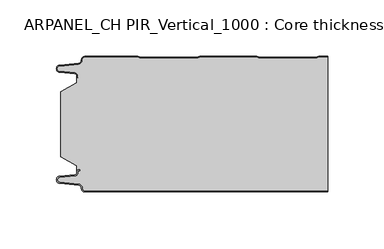
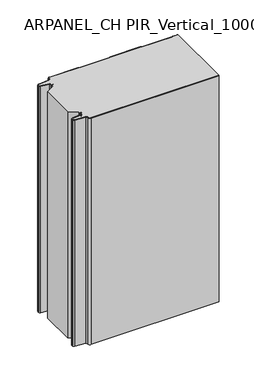
"""IFC4 building model written with IfcOpenShell, lengths in millimetres: plate geometry, ARPANEL_CH PIR_Vertical_1000 : Core thickness - 120 mm."""

from ifc_helpers import new_model, si_unit, frame, origin, place, context, project, spatial, polyline, circle_curve, source, transform, mapped, element, save
from ifc_brep_helpers import plane_surface, cylinder_surface, revolved_surface, advanced_brep


def arpanel_ch_pir_vertical_1000_core_thickness_120_mm_ad3b61e6(model_context):
    return source(origin(), model_context, "Body", "AdvancedBrep", [
        advanced_brep(
        [(-94.8000003, -119.9996949, 0.0), (-97.9923632, -116.5787437, 0.0), (-100.2560431, -113.9171154, 0.0), (-117.2115315, -112.2546153, 0.0), (-119.9999998, -109.1776715, 0.0), (-117.2115315, -106.1007278, 0.0), (-103.6195785, -104.7680252, 0.0), (-101.9952277, -102.9766159, 0.0), (-101.9952277, -101.8996949, 0.0), (-100.5952277, -100.4996949, 0.0), (-99.4952277, -100.4996949, 0.0), (-99.4952277, -101.2996949, 0.0), (-100.5952277, -101.2996949, 0.0), (-101.1952277, -101.8996949, 0.0), (-101.1952277, -102.9766159, 0.0), (-103.5415122, -105.5642071, 0.0), (-117.1334652, -106.8969097, 0.0), (-119.1999997, -109.1776715, 0.0), (-117.1334652, -111.4584333, 0.0), (-100.1779767, -113.1209335, 0.0), (-97.2078761, -116.6330399, 0.0), (-94.8000003, -119.1996949, 0.0), (119.9999998, -119.2, 0.0), (119.9999998, -119.9996949, 0.0), (-94.8000003, -119.1996949, 400.0), (-97.1942724, -116.6339815, 400.0), (-100.1779767, -113.1209335, 400.0), (-117.1334652, -111.4584333, 400.0), (-119.1999997, -109.1776715, 400.0), (-117.1334652, -106.8969097, 400.0), (-103.5415122, -105.5642071, 400.0), (-101.1952277, -102.9766159, 400.0), (-101.1952277, -101.8996949, 400.0), (-100.5952277, -101.2996949, 400.0), (-99.4952277, -101.2996949, 400.0), (-99.4952277, -100.4996949, 400.0), (-100.5952277, -100.4996949, 400.0), (-101.9952277, -101.8996949, 400.0), (-101.9952277, -102.9766159, 400.0), (-103.6195785, -104.7680252, 400.0), (-117.2115315, -106.1007278, 400.0), (-119.9999998, -109.1776715, 400.0), (-117.2115315, -112.2546153, 400.0), (-100.2560431, -113.9171154, 400.0), (-98.0059668, -116.5778021, 400.0), (-94.8000003, -119.9996949, 400.0), (119.9999998, -119.9996949, 400.0), (119.9999998, -119.2, 400.0)],
        [
            (0, 1, circle_curve(frame((-94.8000003, -116.7996949, 0.0), z_axis=(0.0, 0.0, -1.0), x_axis=(1.0, 0.0, 0.0)), 3.2)),
            (1, 2, circle_curve(frame((-100.5000003, -116.4051839, 0.0), z_axis=(0.0, 0.0, 1.0), x_axis=(1.0, 0.0, 0.0)), 2.5)),
            (2, 3),
            (3, 4, circle_curve(frame((-116.9100003, -109.1793626, 0.0), z_axis=(0.0, 0.0, -1.0), x_axis=(1.0, 0.0, 0.0)), 3.09)),
            (4, 5, circle_curve(frame((-116.9100003, -109.1759805, 0.0), z_axis=(0.0, 0.0, -1.0), x_axis=(1.0, 0.0, 0.0)), 3.09)),
            (5, 6),
            (6, 7, circle_curve(frame((-103.7952277, -102.9766159, 0.0), z_axis=(0.0, 0.0, 1.0), x_axis=(1.0, 0.0, 0.0)), 1.8)),
            (7, 8),
            (8, 9, circle_curve(frame((-100.5952277, -101.8996949, 0.0), z_axis=(0.0, 0.0, -1.0), x_axis=(1.0, 0.0, 0.0)), 1.4)),
            (9, 10),
            (10, 11),
            (11, 12),
            (12, 13, circle_curve(frame((-100.5952277, -101.8996949, 0.0), z_axis=(0.0, 0.0, 1.0), x_axis=(1.0, 0.0, 0.0)), 0.6)),
            (13, 14),
            (14, 15, circle_curve(frame((-103.7952277, -102.9766159, 0.0), z_axis=(0.0, 0.0, -1.0), x_axis=(1.0, 0.0, 0.0)), 2.6)),
            (15, 16),
            (16, 17, circle_curve(frame((-116.9100003, -109.1759805, 0.0), z_axis=(0.0, 0.0, 1.0), x_axis=(1.0, 0.0, 0.0)), 2.29)),
            (17, 18, circle_curve(frame((-116.9100003, -109.1793626, 0.0), z_axis=(0.0, 0.0, 1.0), x_axis=(1.0, 0.0, 0.0)), 2.29)),
            (18, 19),
            (19, 20, circle_curve(frame((-100.5000003, -116.4051839, 0.0), z_axis=(0.0, 0.0, -1.0), x_axis=(1.0, 0.0, 0.0)), 3.3)),
            (20, 21, circle_curve(frame((-94.8000003, -116.7996949, 0.0), z_axis=(0.0, 0.0, 1.0), x_axis=(1.0, 0.0, 0.0)), 2.4)),
            (21, 22),
            (22, 23),
            (23, 0),
            (24, 25, circle_curve(frame((-94.8000003, -116.7996949, 400.0), z_axis=(0.0, 0.0, -1.0), x_axis=(1.0, 0.0, 0.0)), 2.4)),
            (25, 26, circle_curve(frame((-100.5000003, -116.4051839, 400.0), z_axis=(0.0, 0.0, 1.0), x_axis=(1.0, 0.0, 0.0)), 3.3)),
            (26, 27),
            (27, 28, circle_curve(frame((-116.9100003, -109.1793626, 400.0), z_axis=(0.0, 0.0, -1.0), x_axis=(1.0, 0.0, 0.0)), 2.29)),
            (28, 29, circle_curve(frame((-116.9100003, -109.1759805, 400.0), z_axis=(0.0, 0.0, -1.0), x_axis=(1.0, 0.0, 0.0)), 2.29)),
            (29, 30),
            (30, 31, circle_curve(frame((-103.7952277, -102.9766159, 400.0), z_axis=(0.0, 0.0, 1.0), x_axis=(1.0, 0.0, 0.0)), 2.6)),
            (31, 32),
            (32, 33, circle_curve(frame((-100.5952277, -101.8996949, 400.0), z_axis=(0.0, 0.0, -1.0), x_axis=(1.0, 0.0, 0.0)), 0.6)),
            (33, 34),
            (34, 35),
            (35, 36),
            (36, 37, circle_curve(frame((-100.5952277, -101.8996949, 400.0), z_axis=(0.0, 0.0, 1.0), x_axis=(1.0, 0.0, 0.0)), 1.4)),
            (37, 38),
            (38, 39, circle_curve(frame((-103.7952277, -102.9766159, 400.0), z_axis=(0.0, 0.0, -1.0), x_axis=(1.0, 0.0, 0.0)), 1.8)),
            (39, 40),
            (40, 41, circle_curve(frame((-116.9100003, -109.1759805, 400.0), z_axis=(0.0, 0.0, 1.0), x_axis=(1.0, 0.0, 0.0)), 3.09)),
            (41, 42, circle_curve(frame((-116.9100003, -109.1793626, 400.0), z_axis=(0.0, 0.0, 1.0), x_axis=(1.0, 0.0, 0.0)), 3.09)),
            (42, 43),
            (43, 44, circle_curve(frame((-100.5000003, -116.4051839, 400.0), z_axis=(0.0, 0.0, -1.0), x_axis=(1.0, 0.0, 0.0)), 2.5)),
            (44, 45, circle_curve(frame((-94.8000003, -116.7996949, 400.0), z_axis=(0.0, 0.0, 1.0), x_axis=(1.0, 0.0, 0.0)), 3.2)),
            (45, 46),
            (46, 47),
            (47, 24),
            (21, 24),
            (47, 22),
            (20, 25),
            (19, 26),
            (18, 27),
            (17, 28),
            (16, 29),
            (15, 30),
            (14, 31),
            (13, 32),
            (12, 33),
            (11, 34),
            (10, 35),
            (9, 36),
            (8, 37),
            (7, 38),
            (6, 39),
            (5, 40),
            (4, 41),
            (3, 42),
            (2, 43),
            (1, 44),
            (0, 45),
            (23, 46),
        ],
        [
            plane_surface(frame((-119.9999998, -120.0, 0.0), z_axis=(0.0, 0.0, -1.0), x_axis=(0.0, 1.0, 0.0))),
            plane_surface(frame((-119.9999998, -120.0, 400.0), z_axis=(0.0, 0.0, 1.0), x_axis=(0.0, 1.0, 0.0))),
            plane_surface(frame((-94.8000003, -119.2, 0.0), z_axis=(0.0, 1.0, 0.0), x_axis=(0.0, 0.0, 1.0))),
            revolved_surface(polyline([(-92.40000029999999, -116.7996949, 400.0), (-92.40000029999999, -116.7996949, 0.0)]), (-94.8000003, -116.7996949, 0.0), (0.0, 0.0, 1.0)),
            cylinder_surface(frame((-100.5000003, -116.4051839, 0.0), z_axis=(0.0, 0.0, -1.0), x_axis=(1.0, 0.0, 0.0)), 3.3),
            plane_surface(frame((-117.1334652, -111.4584333, 0.0), z_axis=(0.09758289975914758, 0.9952273999818314, 0.0), x_axis=(0.0, 0.0, 1.0))),
            revolved_surface(polyline([(-114.62000029999999, -109.1793626, 400.0), (-114.62000029999999, -109.1793626, 0.0)]), (-116.9100003, -109.1793626, 0.0), (0.0, 0.0, 1.0)),
            revolved_surface(polyline([(-114.62000029999999, -109.1759805, 400.0), (-114.62000029999999, -109.1759805, 0.0)]), (-116.9100003, -109.1759805, 0.0), (0.0, 0.0, 1.0)),
            plane_surface(frame((-103.5415122, -105.5642071, 0.0), z_axis=(0.09758289975914383, -0.9952273999818317, 0.0), x_axis=(0.0, 0.0, 1.0))),
            cylinder_surface(frame((-103.7952277, -102.9766159, 0.0), z_axis=(0.0, 0.0, -1.0), x_axis=(1.0, 0.0, 0.0)), 2.6),
            plane_surface(frame((-101.1952277, -101.8996949, 0.0), z_axis=(1.0, 0.0, 0.0), x_axis=(0.0, 0.0, 1.0))),
            revolved_surface(polyline([(-99.9952277, -101.8996949, 400.0), (-99.9952277, -101.8996949, 0.0)]), (-100.5952277, -101.8996949, 0.0), (0.0, 0.0, 1.0)),
            plane_surface(frame((-99.4952277, -101.2996949, 0.0), z_axis=(0.0, -1.0, 0.0), x_axis=(0.0, 0.0, 1.0))),
            plane_surface(frame((-99.4952277, -100.4996949, 0.0), z_axis=(1.0, 0.0, 0.0), x_axis=(0.0, 0.0, 1.0))),
            plane_surface(frame((-100.5952277, -100.4996949, 0.0), z_axis=(0.0, 1.0, 0.0), x_axis=(0.0, 0.0, 1.0))),
            cylinder_surface(frame((-100.5952277, -101.8996949, 0.0), z_axis=(0.0, 0.0, -1.0), x_axis=(1.0, 0.0, 0.0)), 1.4),
            plane_surface(frame((-101.9952277, -102.9766159, 0.0), z_axis=(-1.0, 0.0, 0.0), x_axis=(0.0, 0.0, 1.0))),
            revolved_surface(polyline([(-101.9952277, -102.9766159, 400.0), (-101.9952277, -102.9766159, 0.0)]), (-103.7952277, -102.9766159, 0.0), (0.0, 0.0, 1.0)),
            plane_surface(frame((-117.2115315, -106.1007278, 0.0), z_axis=(-0.09758289975914387, 0.9952273999818317, 0.0), x_axis=(0.0, 0.0, 1.0))),
            cylinder_surface(frame((-116.9100003, -109.1759805, 0.0), z_axis=(0.0, 0.0, -1.0), x_axis=(1.0, 0.0, 0.0)), 3.09),
            cylinder_surface(frame((-116.9100003, -109.1793626, 0.0), z_axis=(0.0, 0.0, -1.0), x_axis=(1.0, 0.0, 0.0)), 3.09),
            plane_surface(frame((-100.2560431, -113.9171154, 0.0), z_axis=(-0.09758289975914762, -0.9952273999818314, 0.0), x_axis=(0.0, 0.0, 1.0))),
            revolved_surface(polyline([(-98.0000003, -116.4051839, 400.0), (-98.0000003, -116.4051839, 0.0)]), (-100.5000003, -116.4051839, 0.0), (0.0, 0.0, 1.0)),
            cylinder_surface(frame((-94.8000003, -116.7996949, 0.0), z_axis=(0.0, 0.0, -1.0), x_axis=(1.0, 0.0, 0.0)), 3.2),
            plane_surface(frame((896.009932, -119.9996949, 0.0), z_axis=(0.0, -1.0, 0.0), x_axis=(0.0, 0.0, 1.0))),
            plane_surface(frame((119.9999998, 180.0, 400.0), z_axis=(1.0, 0.0, 0.0), x_axis=(0.0, 0.0, -1.0))),
        ],
        [
            (0, [[1, 2, 3, 4, 5, 6, 7, 8, 9, 10, 11, 12, 13, 14, 15, 16, 17, 18, 19, 20, 21, 22, 23, 24]]),
            (1, [[25, 26, 27, 28, 29, 30, 31, 32, 33, 34, 35, 36, 37, 38, 39, 40, 41, 42, 43, 44, 45, 46, 47, 48]]),
            (2, [[49, -48, 50, -22]]),
            (3, [[-21, 51, -25, -49]]),
            (4, [[-20, 52, -26, -51]]),
            (5, [[-19, 53, -27, -52]]),
            (6, [[-18, 54, -28, -53]]),
            (7, [[-17, 55, -29, -54]]),
            (8, [[-16, 56, -30, -55]]),
            (9, [[-15, 57, -31, -56]]),
            (10, [[-14, 58, -32, -57]]),
            (11, [[-13, 59, -33, -58]]),
            (12, [[-12, 60, -34, -59]]),
            (13, [[-11, 61, -35, -60]]),
            (14, [[-10, 62, -36, -61]]),
            (15, [[-9, 63, -37, -62]]),
            (16, [[-8, 64, -38, -63]]),
            (17, [[-7, 65, -39, -64]]),
            (18, [[-6, 66, -40, -65]]),
            (19, [[-5, 67, -41, -66]]),
            (20, [[-4, 68, -42, -67]]),
            (21, [[-3, 69, -43, -68]]),
            (22, [[-2, 70, -44, -69]]),
            (23, [[-1, 71, -45, -70]]),
            (24, [[-71, -24, 72, -46]]),
            (25, [[-23, -50, -47, -72]]),
        ],
    ),
        advanced_brep(
        [(-101.9952277, -23.1062917, 400.0), (-116.0446509, -31.1628062, 400.0), (-116.0446509, -88.7531937, 400.0), (-101.9952277, -96.8937083, 400.0), (-101.9952277, -100.4996949, 400.0), (-101.9952277, -101.8996949, 400.0), (-100.5952277, -100.4996949, 400.0), (-99.4952277, -100.4996949, 400.0), (-99.4952277, -101.2996949, 400.0), (-100.5952277, -101.2996949, 400.0), (-101.1952277, -101.8996949, 400.0), (-101.1952277, -102.9766159, 400.0), (-103.5415122, -105.5642071, 400.0), (-117.1334652, -106.8969097, 400.0), (-119.1999997, -109.1776715, 400.0), (-117.1334652, -111.4584333, 400.0), (-100.1779767, -113.1209335, 400.0), (-97.2078761, -116.6330399, 400.0), (-94.8000003, -119.1996949, 400.0), (119.9999998, -119.2, 400.0), (119.9999998, -0.8, 400.0), (112.3119565, -0.8, 400.0), (111.2605406, -1.0986697, 400.0), (109.8401597, -1.5003051, 400.0), (59.6803765, -1.5003051, 400.0), (58.2609651, -1.0971009, 400.0), (57.2085797, -0.8, 400.0), (7.0487965, -0.8, 400.0), (5.9973806, -1.0986697, 400.0), (4.5769997, -1.5003051, 400.0), (-45.5827835, -1.5003051, 400.0), (-47.0021949, -1.0971009, 400.0), (-48.0545803, -0.8, 400.0), (-94.8000003, -0.8, 400.0), (-97.1942724, -3.3660185, 400.0), (-100.1779767, -6.8790665, 400.0), (-117.1334652, -8.5415667, 400.0), (-119.1999997, -10.8223285, 400.0), (-117.1334652, -13.1030903, 400.0), (-103.5415122, -14.4357929, 400.0), (-101.1952277, -17.0233841, 400.0), (-101.1952277, -18.1003051, 400.0), (-100.5952277, -18.7003051, 400.0), (-99.4952277, -18.7003051, 400.0), (-99.4952277, -19.5003051, 400.0), (-100.5952277, -19.5003051, 400.0), (-101.9952277, -18.1003051, 400.0), (-101.9952277, -19.5003051, 400.0), (-101.9952277, -96.8937083, 0.0), (-116.0446509, -88.7531937, 0.0), (-116.0446509, -31.1628062, 0.0), (-101.9952277, -23.1062917, 0.0), (-101.9952277, -19.5003051, 0.0), (-101.9952277, -18.1003051, 0.0), (-100.5952277, -19.5003051, 0.0), (-99.4952277, -19.5003051, 0.0), (-99.4952277, -18.7003051, 0.0), (-100.5952277, -18.7003051, 0.0), (-101.1952277, -18.1003051, 0.0), (-101.1952277, -17.0233841, 0.0), (-103.5415122, -14.4357929, 0.0), (-117.1334652, -13.1030903, 0.0), (-119.1999997, -10.8223285, 0.0), (-117.1334652, -8.5415667, 0.0), (-100.1779767, -6.8790665, 0.0), (-97.2078761, -3.3669601, 0.0), (-94.8000003, -0.8003051, 0.0), (-48.0545803, -0.8, 0.0), (-47.0031645, -1.0986697, 0.0), (-45.5827835, -1.5003051, 0.0), (4.5769997, -1.5003051, 0.0), (5.9964111, -1.0971009, 0.0), (7.0487965, -0.8, 0.0), (57.2085797, -0.8, 0.0), (58.2599955, -1.0986697, 0.0), (59.6803765, -1.5003051, 0.0), (109.8401597, -1.5003051, 0.0), (111.2595711, -1.0971009, 0.0), (112.3119565, -0.8, 0.0), (119.9999998, -0.8, 0.0), (119.9999998, -119.2, 0.0), (-94.8000003, -119.2, 0.0), (-97.1942724, -116.6339815, 0.0), (-100.1779767, -113.1209335, 0.0), (-117.1334652, -111.4584333, 0.0), (-119.1999997, -109.1776715, 0.0), (-117.1334652, -106.8969097, 0.0), (-103.5415122, -105.5642071, 0.0), (-101.1952277, -102.9766159, 0.0), (-101.1952277, -101.8996949, 0.0), (-100.5952277, -101.2996949, 0.0), (-99.4952277, -101.2996949, 0.0), (-99.4952277, -100.4996949, 0.0), (-100.5952277, -100.4996949, 0.0), (-101.9952277, -101.8996949, 0.0), (-101.9952277, -100.4996949, 0.0)],
        [
            (0, 1),
            (1, 2),
            (2, 3),
            (3, 4),
            (4, 5),
            (5, 6, circle_curve(frame((-100.5952277, -101.8996949, 400.0), z_axis=(0.0, 0.0, -1.0), x_axis=(1.0, 0.0, 0.0)), 1.4)),
            (6, 7),
            (7, 8),
            (8, 9),
            (9, 10, circle_curve(frame((-100.5952277, -101.8996949, 400.0), z_axis=(0.0, 0.0, 1.0), x_axis=(1.0, 0.0, 0.0)), 0.6)),
            (10, 11),
            (11, 12, circle_curve(frame((-103.7952277, -102.9766159, 400.0), z_axis=(0.0, 0.0, -1.0), x_axis=(1.0, 0.0, 0.0)), 2.6)),
            (12, 13),
            (13, 14, circle_curve(frame((-116.9100003, -109.1759805, 400.0), z_axis=(0.0, 0.0, 1.0), x_axis=(1.0, 0.0, 0.0)), 2.29)),
            (14, 15, circle_curve(frame((-116.9100003, -109.1793626, 400.0), z_axis=(0.0, 0.0, 1.0), x_axis=(1.0, 0.0, 0.0)), 2.29)),
            (15, 16),
            (16, 17, circle_curve(frame((-100.5000003, -116.4051839, 400.0), z_axis=(0.0, 0.0, -1.0), x_axis=(1.0, 0.0, 0.0)), 3.3)),
            (17, 18, circle_curve(frame((-94.8000003, -116.7996949, 400.0), z_axis=(0.0, 0.0, 1.0), x_axis=(1.0, 0.0, 0.0)), 2.4)),
            (18, 19),
            (19, 20),
            (20, 21),
            (21, 22, circle_curve(frame((112.3119565, -2.8, 400.0), z_axis=(0.0, 0.0, 1.0), x_axis=(1.0, 0.0, 0.0)), 2.0)),
            (22, 23, circle_curve(frame((109.8401597, 1.1996949, 400.0), z_axis=(0.0, 0.0, -1.0), x_axis=(1.0, 0.0, 0.0)), 2.7)),
            (23, 24),
            (24, 25, circle_curve(frame((59.6803765, 1.1996949, 400.0), z_axis=(0.0, 0.0, -1.0), x_axis=(1.0, 0.0, 0.0)), 2.7)),
            (25, 26, circle_curve(frame((57.2085797, -2.8, 400.0), z_axis=(0.0, 0.0, 1.0), x_axis=(1.0, 0.0, 0.0)), 2.0)),
            (26, 27),
            (27, 28, circle_curve(frame((7.0487965, -2.8, 400.0), z_axis=(0.0, 0.0, 1.0), x_axis=(1.0, 0.0, 0.0)), 2.0)),
            (28, 29, circle_curve(frame((4.5769997, 1.1996949, 400.0), z_axis=(0.0, 0.0, -1.0), x_axis=(1.0, 0.0, 0.0)), 2.7)),
            (29, 30),
            (30, 31, circle_curve(frame((-45.5827835, 1.1996949, 400.0), z_axis=(0.0, 0.0, -1.0), x_axis=(1.0, 0.0, 0.0)), 2.7)),
            (31, 32, circle_curve(frame((-48.0545803, -2.8, 400.0), z_axis=(0.0, 0.0, 1.0), x_axis=(1.0, 0.0, 0.0)), 2.0)),
            (32, 33),
            (33, 34, circle_curve(frame((-94.8000003, -3.2003051, 400.0), z_axis=(0.0, 0.0, 1.0), x_axis=(1.0, 0.0, 0.0)), 2.4)),
            (34, 35, circle_curve(frame((-100.5000003, -3.5948161, 400.0), z_axis=(0.0, 0.0, -1.0), x_axis=(1.0, 0.0, 0.0)), 3.3)),
            (35, 36),
            (36, 37, circle_curve(frame((-116.9100003, -10.8206374, 400.0), z_axis=(0.0, 0.0, 1.0), x_axis=(1.0, 0.0, 0.0)), 2.29)),
            (37, 38, circle_curve(frame((-116.9100003, -10.8240195, 400.0), z_axis=(0.0, 0.0, 1.0), x_axis=(1.0, 0.0, 0.0)), 2.29)),
            (38, 39),
            (39, 40, circle_curve(frame((-103.7952277, -17.0233841, 400.0), z_axis=(0.0, 0.0, -1.0), x_axis=(1.0, 0.0, 0.0)), 2.6)),
            (40, 41),
            (41, 42, circle_curve(frame((-100.5952277, -18.1003051, 400.0), z_axis=(0.0, 0.0, 1.0), x_axis=(1.0, 0.0, 0.0)), 0.6)),
            (42, 43),
            (43, 44),
            (44, 45),
            (45, 46, circle_curve(frame((-100.5952277, -18.1003051, 400.0), z_axis=(0.0, 0.0, -1.0), x_axis=(1.0, 0.0, 0.0)), 1.4)),
            (46, 47),
            (47, 0),
            (48, 49),
            (49, 50),
            (50, 51),
            (51, 52),
            (52, 53),
            (53, 54, circle_curve(frame((-100.5952277, -18.1003051, 0.0), z_axis=(0.0, 0.0, 1.0), x_axis=(1.0, 0.0, 0.0)), 1.4)),
            (54, 55),
            (55, 56),
            (56, 57),
            (57, 58, circle_curve(frame((-100.5952277, -18.1003051, 0.0), z_axis=(0.0, 0.0, -1.0), x_axis=(1.0, 0.0, 0.0)), 0.6)),
            (58, 59),
            (59, 60, circle_curve(frame((-103.7952277, -17.0233841, 0.0), z_axis=(0.0, 0.0, 1.0), x_axis=(1.0, 0.0, 0.0)), 2.6)),
            (60, 61),
            (61, 62, circle_curve(frame((-116.9100003, -10.8240195, 0.0), z_axis=(0.0, 0.0, -1.0), x_axis=(1.0, 0.0, 0.0)), 2.29)),
            (62, 63, circle_curve(frame((-116.9100003, -10.8206374, 0.0), z_axis=(0.0, 0.0, -1.0), x_axis=(1.0, 0.0, 0.0)), 2.29)),
            (63, 64),
            (64, 65, circle_curve(frame((-100.5000003, -3.5948161, 0.0), z_axis=(0.0, 0.0, 1.0), x_axis=(1.0, 0.0, 0.0)), 3.3)),
            (65, 66, circle_curve(frame((-94.8000003, -3.2003051, 0.0), z_axis=(0.0, 0.0, -1.0), x_axis=(1.0, 0.0, 0.0)), 2.4)),
            (66, 67),
            (67, 68, circle_curve(frame((-48.0545803, -2.8, 0.0), z_axis=(0.0, 0.0, -1.0), x_axis=(1.0, 0.0, 0.0)), 2.0)),
            (68, 69, circle_curve(frame((-45.5827835, 1.1996949, 0.0), z_axis=(0.0, 0.0, 1.0), x_axis=(1.0, 0.0, 0.0)), 2.7)),
            (69, 70),
            (70, 71, circle_curve(frame((4.5769997, 1.1996949, 0.0), z_axis=(0.0, 0.0, 1.0), x_axis=(1.0, 0.0, 0.0)), 2.7)),
            (71, 72, circle_curve(frame((7.0487965, -2.8, 0.0), z_axis=(0.0, 0.0, -1.0), x_axis=(1.0, 0.0, 0.0)), 2.0)),
            (72, 73),
            (73, 74, circle_curve(frame((57.2085797, -2.8, 0.0), z_axis=(0.0, 0.0, -1.0), x_axis=(1.0, 0.0, 0.0)), 2.0)),
            (74, 75, circle_curve(frame((59.6803765, 1.1996949, 0.0), z_axis=(0.0, 0.0, 1.0), x_axis=(1.0, 0.0, 0.0)), 2.7)),
            (75, 76),
            (76, 77, circle_curve(frame((109.8401597, 1.1996949, 0.0), z_axis=(0.0, 0.0, 1.0), x_axis=(1.0, 0.0, 0.0)), 2.7)),
            (77, 78, circle_curve(frame((112.3119565, -2.8, 0.0), z_axis=(0.0, 0.0, -1.0), x_axis=(1.0, 0.0, 0.0)), 2.0)),
            (78, 79),
            (79, 80),
            (80, 81),
            (81, 82, circle_curve(frame((-94.8000003, -116.7996949, 0.0), z_axis=(0.0, 0.0, -1.0), x_axis=(1.0, 0.0, 0.0)), 2.4)),
            (82, 83, circle_curve(frame((-100.5000003, -116.4051839, 0.0), z_axis=(0.0, 0.0, 1.0), x_axis=(1.0, 0.0, 0.0)), 3.3)),
            (83, 84),
            (84, 85, circle_curve(frame((-116.9100003, -109.1793626, 0.0), z_axis=(0.0, 0.0, -1.0), x_axis=(1.0, 0.0, 0.0)), 2.29)),
            (85, 86, circle_curve(frame((-116.9100003, -109.1759805, 0.0), z_axis=(0.0, 0.0, -1.0), x_axis=(1.0, 0.0, 0.0)), 2.29)),
            (86, 87),
            (87, 88, circle_curve(frame((-103.7952277, -102.9766159, 0.0), z_axis=(0.0, 0.0, 1.0), x_axis=(1.0, 0.0, 0.0)), 2.6)),
            (88, 89),
            (89, 90, circle_curve(frame((-100.5952277, -101.8996949, 0.0), z_axis=(0.0, 0.0, -1.0), x_axis=(1.0, 0.0, 0.0)), 0.6)),
            (90, 91),
            (91, 92),
            (92, 93),
            (93, 94, circle_curve(frame((-100.5952277, -101.8996949, 0.0), z_axis=(0.0, 0.0, 1.0), x_axis=(1.0, 0.0, 0.0)), 1.4)),
            (94, 95),
            (95, 48),
            (51, 0),
            (46, 53),
            (1, 50),
            (49, 2),
            (48, 3),
            (94, 5),
            (18, 81),
            (80, 19),
            (17, 82),
            (16, 83),
            (15, 84),
            (14, 85),
            (13, 86),
            (12, 87),
            (11, 88),
            (10, 89),
            (9, 90),
            (8, 91),
            (7, 92),
            (6, 93),
            (66, 33),
            (32, 67),
            (31, 68),
            (30, 69),
            (29, 70),
            (28, 71),
            (27, 72),
            (26, 73),
            (25, 74),
            (24, 75),
            (23, 76),
            (22, 77),
            (21, 78),
            (20, 79),
            (45, 54),
            (44, 55),
            (43, 56),
            (42, 57),
            (41, 58),
            (40, 59),
            (39, 60),
            (38, 61),
            (37, 62),
            (36, 63),
            (35, 64),
            (34, 65),
        ],
        [
            plane_surface(frame((-119.9999998, 0.0, 400.0), z_axis=(0.0, 0.0, 1.0), x_axis=(0.0, -1.0, 0.0))),
            plane_surface(frame((-119.9999998, 0.0, 0.0), z_axis=(0.0, 0.0, -1.0), x_axis=(0.0, -1.0, 0.0))),
            plane_surface(frame((-101.9952277, -17.0229218, 400.0), z_axis=(-1.0, 0.0, 0.0), x_axis=(0.0, 0.0, -1.0))),
            plane_surface(frame((-116.0446509, -31.1628062, 400.0), z_axis=(-1.0, 0.0, 0.0), x_axis=(0.0, 0.0, -1.0))),
            plane_surface(frame((-101.9952277, -23.1062917, 400.0), z_axis=(-0.4974543664933155, 0.8674901459133322, 0.0), x_axis=(0.0, 0.0, -1.0))),
            plane_surface(frame((-116.0446509, -88.7531937, 400.0), z_axis=(-0.5013424225369607, -0.8652489672717164, 0.0), x_axis=(0.0, 0.0, -1.0))),
            plane_surface(frame((-101.9952277, -96.8937083, 400.0), z_axis=(-1.0, 0.0, 0.0), x_axis=(0.0, 0.0, -1.0))),
            plane_surface(frame((896.009932, -119.2, 530.0), z_axis=(0.0, -1.0, 0.0), x_axis=(0.0, 0.0, -1.0))),
            cylinder_surface(frame((-94.8000003, -116.7996949, 530.0), z_axis=(0.0, 0.0, -1.0), x_axis=(1.0, 0.0, 0.0)), 2.4),
            revolved_surface(polyline([(-97.2000003, -116.4051839, 400.0), (-97.2000003, -116.4051839, 0.0)]), (-100.5000003, -116.4051839, 530.0), (0.0, 0.0, 1.0)),
            plane_surface(frame((-100.1779767, -113.1209335, 530.0), z_axis=(-0.09758289975914758, -0.9952273999818314, 0.0), x_axis=(0.0, 0.0, -1.0))),
            cylinder_surface(frame((-116.9100003, -109.1793626, 530.0), z_axis=(0.0, 0.0, -1.0), x_axis=(1.0, 0.0, 0.0)), 2.29),
            cylinder_surface(frame((-116.9100003, -109.1759805, 530.0), z_axis=(0.0, 0.0, -1.0), x_axis=(1.0, 0.0, 0.0)), 2.29),
            plane_surface(frame((-117.1334652, -106.8969097, 530.0), z_axis=(-0.09758289975914383, 0.9952273999818317, 0.0), x_axis=(0.0, 0.0, -1.0))),
            revolved_surface(polyline([(-101.1952277, -102.9766159, 400.0), (-101.1952277, -102.9766159, 0.0)]), (-103.7952277, -102.9766159, 530.0), (0.0, 0.0, 1.0)),
            plane_surface(frame((-101.1952277, -102.9766159, 530.0), z_axis=(-1.0, 0.0, 0.0), x_axis=(0.0, 0.0, -1.0))),
            cylinder_surface(frame((-100.5952277, -101.8996949, 530.0), z_axis=(0.0, 0.0, -1.0), x_axis=(1.0, 0.0, 0.0)), 0.6),
            plane_surface(frame((-100.5952277, -101.2996949, 530.0), z_axis=(0.0, 1.0, 0.0), x_axis=(0.0, 0.0, -1.0))),
            plane_surface(frame((-99.4952277, -101.2996949, 530.0), z_axis=(-1.0, 0.0, 0.0), x_axis=(0.0, 0.0, -1.0))),
            plane_surface(frame((-99.4952277, -100.4996949, 530.0), z_axis=(0.0, -1.0, 0.0), x_axis=(0.0, 0.0, -1.0))),
            revolved_surface(polyline([(-99.19522769999999, -101.8996949, 400.0), (-99.19522769999999, -101.8996949, 0.0)]), (-100.5952277, -101.8996949, 530.0), (0.0, 0.0, 1.0)),
            plane_surface(frame((-94.8000003, -0.8, 530.0), z_axis=(0.0, 1.0, 0.0), x_axis=(0.0, 0.0, -1.0))),
            cylinder_surface(frame((-48.0545803, -2.8, 530.0), z_axis=(0.0, 0.0, -1.0), x_axis=(1.0, 0.0, 0.0)), 2.0),
            revolved_surface(polyline([(-42.882783499999995, 1.1996949, 400.0), (-42.882783499999995, 1.1996949, 0.0)]), (-45.5827835, 1.1996949, 530.0), (0.0, 0.0, 1.0)),
            plane_surface(frame((-45.5827835, -1.5003051, 530.0), z_axis=(0.0, 1.0, 0.0), x_axis=(0.0, 0.0, -1.0))),
            revolved_surface(polyline([(7.2769997, 1.1996949, 400.0), (7.2769997, 1.1996949, 0.0)]), (4.5769997, 1.1996949, 530.0), (0.0, 0.0, 1.0)),
            cylinder_surface(frame((7.0487965, -2.8, 530.0), z_axis=(0.0, 0.0, -1.0), x_axis=(1.0, 0.0, 0.0)), 2.0),
            plane_surface(frame((7.0487965, -0.8, 530.0), z_axis=(0.0, 1.0, 0.0), x_axis=(0.0, 0.0, -1.0))),
            cylinder_surface(frame((57.2085797, -2.8, 530.0), z_axis=(0.0, 0.0, -1.0), x_axis=(1.0, 0.0, 0.0)), 2.0),
            revolved_surface(polyline([(62.380376500000004, 1.1996949, 400.0), (62.380376500000004, 1.1996949, 0.0)]), (59.6803765, 1.1996949, 530.0), (0.0, 0.0, 1.0)),
            plane_surface(frame((59.6803765, -1.5003051, 530.0), z_axis=(0.0, 1.0, 0.0), x_axis=(0.0, 0.0, -1.0))),
            revolved_surface(polyline([(112.5401597, 1.1996949, 400.0), (112.5401597, 1.1996949, 0.0)]), (109.8401597, 1.1996949, 530.0), (0.0, 0.0, 1.0)),
            cylinder_surface(frame((112.3119565, -2.8, 530.0), z_axis=(0.0, 0.0, -1.0), x_axis=(1.0, 0.0, 0.0)), 2.0),
            plane_surface(frame((112.3119565, -0.8, 530.0), z_axis=(0.0, 1.0, 0.0), x_axis=(0.0, 0.0, -1.0))),
            revolved_surface(polyline([(-99.19522769999999, -18.1003051, 400.0), (-99.19522769999999, -18.1003051, 0.0)]), (-100.5952277, -18.1003051, 530.0), (0.0, 0.0, 1.0)),
            plane_surface(frame((-100.5952277, -19.5003051, 530.0), z_axis=(0.0, 1.0, 0.0), x_axis=(0.0, 0.0, -1.0))),
            plane_surface(frame((-99.4952277, -19.5003051, 530.0), z_axis=(-1.0, 0.0, 0.0), x_axis=(0.0, 0.0, -1.0))),
            plane_surface(frame((-99.4952277, -18.7003051, 530.0), z_axis=(0.0, -1.0, 0.0), x_axis=(0.0, 0.0, -1.0))),
            cylinder_surface(frame((-100.5952277, -18.1003051, 530.0), z_axis=(0.0, 0.0, -1.0), x_axis=(1.0, 0.0, 0.0)), 0.6),
            plane_surface(frame((-101.1952277, -18.1003051, 530.0), z_axis=(-1.0, 0.0, 0.0), x_axis=(0.0, 0.0, -1.0))),
            revolved_surface(polyline([(-101.1952277, -17.0233841, 400.0), (-101.1952277, -17.0233841, 0.0)]), (-103.7952277, -17.0233841, 530.0), (0.0, 0.0, 1.0)),
            plane_surface(frame((-103.5415122, -14.4357929, 530.0), z_axis=(-0.09758289975914705, -0.9952273999818314, 0.0), x_axis=(0.0, 0.0, -1.0))),
            cylinder_surface(frame((-116.9100003, -10.8240195, 530.0), z_axis=(0.0, 0.0, -1.0), x_axis=(1.0, 0.0, 0.0)), 2.29),
            cylinder_surface(frame((-116.9100003, -10.8206374, 530.0), z_axis=(0.0, 0.0, -1.0), x_axis=(1.0, 0.0, 0.0)), 2.29),
            plane_surface(frame((-117.1334652, -8.5415667, 530.0), z_axis=(-0.09758289975914436, 0.9952273999818317, 0.0), x_axis=(0.0, 0.0, -1.0))),
            revolved_surface(polyline([(-97.2000003, -3.5948161, 400.0), (-97.2000003, -3.5948161, 0.0)]), (-100.5000003, -3.5948161, 530.0), (0.0, 0.0, 1.0)),
            cylinder_surface(frame((-94.8000003, -3.2003051, 530.0), z_axis=(0.0, 0.0, -1.0), x_axis=(1.0, 0.0, 0.0)), 2.4),
            plane_surface(frame((119.9999998, 180.0, 400.0), z_axis=(1.0, 0.0, 0.0), x_axis=(0.0, 0.0, -1.0))),
        ],
        [
            (0, [[1, 2, 3, 4, 5, 6, 7, 8, 9, 10, 11, 12, 13, 14, 15, 16, 17, 18, 19, 20, 21, 22, 23, 24, 25, 26, 27, 28, 29, 30, 31, 32, 33, 34, 35, 36, 37, 38, 39, 40, 41, 42, 43, 44, 45, 46, 47, 48]]),
            (1, [[49, 50, 51, 52, 53, 54, 55, 56, 57, 58, 59, 60, 61, 62, 63, 64, 65, 66, 67, 68, 69, 70, 71, 72, 73, 74, 75, 76, 77, 78, 79, 80, 81, 82, 83, 84, 85, 86, 87, 88, 89, 90, 91, 92, 93, 94, 95, 96]]),
            (2, [[97, -48, -47, 98, -53, -52]]),
            (3, [[-2, 99, -50, 100]]),
            (4, [[-1, -97, -51, -99]]),
            (5, [[-3, -100, -49, 101]]),
            (6, [[-101, -96, -95, 102, -5, -4]]),
            (7, [[103, -81, 104, -19]]),
            (8, [[-103, -18, 105, -82]]),
            (9, [[-105, -17, 106, -83]]),
            (10, [[-106, -16, 107, -84]]),
            (11, [[-107, -15, 108, -85]]),
            (12, [[-108, -14, 109, -86]]),
            (13, [[-109, -13, 110, -87]]),
            (14, [[-110, -12, 111, -88]]),
            (15, [[-111, -11, 112, -89]]),
            (16, [[-112, -10, 113, -90]]),
            (17, [[-113, -9, 114, -91]]),
            (18, [[-114, -8, 115, -92]]),
            (19, [[-115, -7, 116, -93]]),
            (20, [[-116, -6, -102, -94]]),
            (21, [[117, -33, 118, -67]]),
            (22, [[-118, -32, 119, -68]]),
            (23, [[-119, -31, 120, -69]]),
            (24, [[-120, -30, 121, -70]]),
            (25, [[-121, -29, 122, -71]]),
            (26, [[-122, -28, 123, -72]]),
            (27, [[-123, -27, 124, -73]]),
            (28, [[-124, -26, 125, -74]]),
            (29, [[-125, -25, 126, -75]]),
            (30, [[-126, -24, 127, -76]]),
            (31, [[-127, -23, 128, -77]]),
            (32, [[-128, -22, 129, -78]]),
            (33, [[-129, -21, 130, -79]]),
            (34, [[131, -54, -98, -46]]),
            (35, [[-131, -45, 132, -55]]),
            (36, [[-132, -44, 133, -56]]),
            (37, [[-133, -43, 134, -57]]),
            (38, [[-134, -42, 135, -58]]),
            (39, [[-135, -41, 136, -59]]),
            (40, [[-136, -40, 137, -60]]),
            (41, [[-137, -39, 138, -61]]),
            (42, [[-138, -38, 139, -62]]),
            (43, [[-139, -37, 140, -63]]),
            (44, [[-140, -36, 141, -64]]),
            (45, [[-141, -35, 142, -65]]),
            (46, [[-117, -66, -142, -34]]),
            (47, [[-104, -80, -130, -20]]),
        ],
    ),
        advanced_brep(
        [(-47.0031645, -1.0986697, 0.0), (-48.0545803, -0.8, 0.0), (-94.8000003, -0.8, 0.0), (-97.1942724, -3.3660185, 0.0), (-100.1779767, -6.8790665, 0.0), (-117.1334652, -8.5415667, 0.0), (-119.1999997, -10.8223285, 0.0), (-117.1334652, -13.1030903, 0.0), (-103.5415122, -14.4357929, 0.0), (-101.1952277, -17.0233841, 0.0), (-101.1952277, -18.1003051, 0.0), (-100.5952277, -18.7003051, 0.0), (-99.4952277, -18.7003051, 0.0), (-99.4952277, -19.5003051, 0.0), (-100.5952277, -19.5003051, 0.0), (-101.9952277, -18.1003051, 0.0), (-101.9952277, -17.0233841, 0.0), (-103.6195785, -15.2319748, 0.0), (-117.2115315, -13.8992722, 0.0), (-119.9999998, -10.8223285, 0.0), (-117.2115315, -7.7453847, 0.0), (-100.2560431, -6.0828846, 0.0), (-98.0059668, -3.4221979, 0.0), (-94.8000003, -0.0003051, 0.0), (-48.0545803, -0.0003051, 0.0), (-46.6352472, -0.4034608, 0.0), (-45.5827835, -0.7003051, 0.0), (4.5769997, -0.7003051, 0.0), (5.6283575, -0.4016712, 0.0), (7.0487965, -0.0003051, 0.0), (57.2085797, -0.0003051, 0.0), (58.6279128, -0.4034608, 0.0), (59.6803765, -0.7003051, 0.0), (109.8401597, -0.7003051, 0.0), (110.8915175, -0.4016712, 0.0), (112.3119565, -0.0003051, 0.0), (119.9999998, -0.0003051, 0.0), (119.9999998, -0.8, 0.0), (112.3119565, -0.8, 0.0), (111.2605406, -1.0986697, 0.0), (109.8401597, -1.5003051, 0.0), (59.6803765, -1.5003051, 0.0), (58.2609651, -1.0971009, 0.0), (57.2085797, -0.8, 0.0), (7.0487965, -0.8, 0.0), (5.9973806, -1.0986697, 0.0), (4.5769997, -1.5003051, 0.0), (-45.5827835, -1.5003051, 0.0), (-47.0021949, -1.0971009, 400.0), (-45.5827835, -1.5003051, 400.0), (4.5769997, -1.5003051, 400.0), (5.9964111, -1.0971009, 400.0), (7.0487965, -0.8, 400.0), (57.2085797, -0.8, 400.0), (58.2599955, -1.0986697, 400.0), (59.6803765, -1.5003051, 400.0), (109.8401597, -1.5003051, 400.0), (111.2595711, -1.0971009, 400.0), (112.3119565, -0.8, 400.0), (119.9999998, -0.8, 400.0), (119.9999998, -0.0003051, 400.0), (112.3119565, -0.0003051, 400.0), (110.8926234, -0.4034608, 400.0), (109.8401597, -0.7003051, 400.0), (59.6803765, -0.7003051, 400.0), (58.6290186, -0.4016712, 400.0), (57.2085797, -0.0003051, 400.0), (7.0487965, -0.0003051, 400.0), (5.6294634, -0.4034608, 400.0), (4.5769997, -0.7003051, 400.0), (-45.5827835, -0.7003051, 400.0), (-46.6341414, -0.4016712, 400.0), (-48.0545803, -0.0003051, 400.0), (-94.8000003, -0.0003051, 400.0), (-97.9923632, -3.4212563, 400.0), (-100.2560431, -6.0828846, 400.0), (-117.2115315, -7.7453847, 400.0), (-119.9999998, -10.8223285, 400.0), (-117.2115315, -13.8992722, 400.0), (-103.6195785, -15.2319748, 400.0), (-101.9952277, -17.0233841, 400.0), (-101.9952277, -18.1003051, 400.0), (-100.5952277, -19.5003051, 400.0), (-99.4952277, -19.5003051, 400.0), (-99.4952277, -18.7003051, 400.0), (-100.5952277, -18.7003051, 400.0), (-101.1952277, -18.1003051, 400.0), (-101.1952277, -17.0233841, 400.0), (-103.5415122, -14.4357929, 400.0), (-117.1334652, -13.1030903, 400.0), (-119.1999997, -10.8223285, 400.0), (-117.1334652, -8.5415667, 400.0), (-100.1779767, -6.8790665, 400.0), (-97.2078761, -3.3669601, 400.0), (-94.8000003, -0.8003051, 400.0), (-48.0545803, -0.8, 400.0)],
        [
            (0, 1, circle_curve(frame((-48.0545803, -2.8, 0.0), z_axis=(0.0, 0.0, 1.0), x_axis=(1.0, 0.0, 0.0)), 2.0)),
            (1, 2),
            (2, 3, circle_curve(frame((-94.8000003, -3.2003051, 0.0), z_axis=(0.0, 0.0, 1.0), x_axis=(1.0, 0.0, 0.0)), 2.4)),
            (3, 4, circle_curve(frame((-100.5000003, -3.5948161, 0.0), z_axis=(0.0, 0.0, -1.0), x_axis=(1.0, 0.0, 0.0)), 3.3)),
            (4, 5),
            (5, 6, circle_curve(frame((-116.9100003, -10.8206374, 0.0), z_axis=(0.0, 0.0, 1.0), x_axis=(1.0, 0.0, 0.0)), 2.29)),
            (6, 7, circle_curve(frame((-116.9100003, -10.8240195, 0.0), z_axis=(0.0, 0.0, 1.0), x_axis=(1.0, 0.0, 0.0)), 2.29)),
            (7, 8),
            (8, 9, circle_curve(frame((-103.7952277, -17.0233841, 0.0), z_axis=(0.0, 0.0, -1.0), x_axis=(1.0, 0.0, 0.0)), 2.6)),
            (9, 10),
            (10, 11, circle_curve(frame((-100.5952277, -18.1003051, 0.0), z_axis=(0.0, 0.0, 1.0), x_axis=(1.0, 0.0, 0.0)), 0.6)),
            (11, 12),
            (12, 13),
            (13, 14),
            (14, 15, circle_curve(frame((-100.5952277, -18.1003051, 0.0), z_axis=(0.0, 0.0, -1.0), x_axis=(1.0, 0.0, 0.0)), 1.4)),
            (15, 16),
            (16, 17, circle_curve(frame((-103.7952277, -17.0233841, 0.0), z_axis=(0.0, 0.0, 1.0), x_axis=(1.0, 0.0, 0.0)), 1.8)),
            (17, 18),
            (18, 19, circle_curve(frame((-116.9100003, -10.8240195, 0.0), z_axis=(0.0, 0.0, -1.0), x_axis=(1.0, 0.0, 0.0)), 3.09)),
            (19, 20, circle_curve(frame((-116.9100003, -10.8206374, 0.0), z_axis=(0.0, 0.0, -1.0), x_axis=(1.0, 0.0, 0.0)), 3.09)),
            (20, 21),
            (21, 22, circle_curve(frame((-100.5000003, -3.5948161, 0.0), z_axis=(0.0, 0.0, 1.0), x_axis=(1.0, 0.0, 0.0)), 2.5)),
            (22, 23, circle_curve(frame((-94.8000003, -3.2003051, 0.0), z_axis=(0.0, 0.0, -1.0), x_axis=(1.0, 0.0, 0.0)), 3.2)),
            (23, 24),
            (24, 25, circle_curve(frame((-48.0545803, -2.7003051, 0.0), z_axis=(0.0, 0.0, -1.0), x_axis=(1.0, 0.0, 0.0)), 2.7)),
            (25, 26, circle_curve(frame((-45.5827835, 1.2996949, 0.0), z_axis=(0.0, 0.0, 1.0), x_axis=(1.0, 0.0, 0.0)), 2.0)),
            (26, 27),
            (27, 28, circle_curve(frame((4.5769997, 1.2996949, 0.0), z_axis=(0.0, 0.0, 1.0), x_axis=(1.0, 0.0, 0.0)), 2.0)),
            (28, 29, circle_curve(frame((7.0487965, -2.7003051, 0.0), z_axis=(0.0, 0.0, -1.0), x_axis=(1.0, 0.0, 0.0)), 2.7)),
            (29, 30),
            (30, 31, circle_curve(frame((57.2085797, -2.7003051, 0.0), z_axis=(0.0, 0.0, -1.0), x_axis=(1.0, 0.0, 0.0)), 2.7)),
            (31, 32, circle_curve(frame((59.6803765, 1.2996949, 0.0), z_axis=(0.0, 0.0, 1.0), x_axis=(1.0, 0.0, 0.0)), 2.0)),
            (32, 33),
            (33, 34, circle_curve(frame((109.8401597, 1.2996949, 0.0), z_axis=(0.0, 0.0, 1.0), x_axis=(1.0, 0.0, 0.0)), 2.0)),
            (34, 35, circle_curve(frame((112.3119565, -2.7003051, 0.0), z_axis=(0.0, 0.0, -1.0), x_axis=(1.0, 0.0, 0.0)), 2.7)),
            (35, 36),
            (36, 37),
            (37, 38),
            (38, 39, circle_curve(frame((112.3119565, -2.8, 0.0), z_axis=(0.0, 0.0, 1.0), x_axis=(1.0, 0.0, 0.0)), 2.0)),
            (39, 40, circle_curve(frame((109.8401597, 1.1996949, 0.0), z_axis=(0.0, 0.0, -1.0), x_axis=(1.0, 0.0, 0.0)), 2.7)),
            (40, 41),
            (41, 42, circle_curve(frame((59.6803765, 1.1996949, 0.0), z_axis=(0.0, 0.0, -1.0), x_axis=(1.0, 0.0, 0.0)), 2.7)),
            (42, 43, circle_curve(frame((57.2085797, -2.8, 0.0), z_axis=(0.0, 0.0, 1.0), x_axis=(1.0, 0.0, 0.0)), 2.0)),
            (43, 44),
            (44, 45, circle_curve(frame((7.0487965, -2.8, 0.0), z_axis=(0.0, 0.0, 1.0), x_axis=(1.0, 0.0, 0.0)), 2.0)),
            (45, 46, circle_curve(frame((4.5769997, 1.1996949, 0.0), z_axis=(0.0, 0.0, -1.0), x_axis=(1.0, 0.0, 0.0)), 2.7)),
            (46, 47),
            (47, 0, circle_curve(frame((-45.5827835, 1.1996949, 0.0), z_axis=(0.0, 0.0, -1.0), x_axis=(1.0, 0.0, 0.0)), 2.7)),
            (48, 49, circle_curve(frame((-45.5827835, 1.1996949, 400.0), z_axis=(0.0, 0.0, 1.0), x_axis=(1.0, 0.0, 0.0)), 2.7)),
            (49, 50),
            (50, 51, circle_curve(frame((4.5769997, 1.1996949, 400.0), z_axis=(0.0, 0.0, 1.0), x_axis=(1.0, 0.0, 0.0)), 2.7)),
            (51, 52, circle_curve(frame((7.0487965, -2.8, 400.0), z_axis=(0.0, 0.0, -1.0), x_axis=(1.0, 0.0, 0.0)), 2.0)),
            (52, 53),
            (53, 54, circle_curve(frame((57.2085797, -2.8, 400.0), z_axis=(0.0, 0.0, -1.0), x_axis=(1.0, 0.0, 0.0)), 2.0)),
            (54, 55, circle_curve(frame((59.6803765, 1.1996949, 400.0), z_axis=(0.0, 0.0, 1.0), x_axis=(1.0, 0.0, 0.0)), 2.7)),
            (55, 56),
            (56, 57, circle_curve(frame((109.8401597, 1.1996949, 400.0), z_axis=(0.0, 0.0, 1.0), x_axis=(1.0, 0.0, 0.0)), 2.7)),
            (57, 58, circle_curve(frame((112.3119565, -2.8, 400.0), z_axis=(0.0, 0.0, -1.0), x_axis=(1.0, 0.0, 0.0)), 2.0)),
            (58, 59),
            (59, 60),
            (60, 61),
            (61, 62, circle_curve(frame((112.3119565, -2.7003051, 400.0), z_axis=(0.0, 0.0, 1.0), x_axis=(1.0, 0.0, 0.0)), 2.7)),
            (62, 63, circle_curve(frame((109.8401597, 1.2996949, 400.0), z_axis=(0.0, 0.0, -1.0), x_axis=(1.0, 0.0, 0.0)), 2.0)),
            (63, 64),
            (64, 65, circle_curve(frame((59.6803765, 1.2996949, 400.0), z_axis=(0.0, 0.0, -1.0), x_axis=(1.0, 0.0, 0.0)), 2.0)),
            (65, 66, circle_curve(frame((57.2085797, -2.7003051, 400.0), z_axis=(0.0, 0.0, 1.0), x_axis=(1.0, 0.0, 0.0)), 2.7)),
            (66, 67),
            (67, 68, circle_curve(frame((7.0487965, -2.7003051, 400.0), z_axis=(0.0, 0.0, 1.0), x_axis=(1.0, 0.0, 0.0)), 2.7)),
            (68, 69, circle_curve(frame((4.5769997, 1.2996949, 400.0), z_axis=(0.0, 0.0, -1.0), x_axis=(1.0, 0.0, 0.0)), 2.0)),
            (69, 70),
            (70, 71, circle_curve(frame((-45.5827835, 1.2996949, 400.0), z_axis=(0.0, 0.0, -1.0), x_axis=(1.0, 0.0, 0.0)), 2.0)),
            (71, 72, circle_curve(frame((-48.0545803, -2.7003051, 400.0), z_axis=(0.0, 0.0, 1.0), x_axis=(1.0, 0.0, 0.0)), 2.7)),
            (72, 73),
            (73, 74, circle_curve(frame((-94.8000003, -3.2003051, 400.0), z_axis=(0.0, 0.0, 1.0), x_axis=(1.0, 0.0, 0.0)), 3.2)),
            (74, 75, circle_curve(frame((-100.5000003, -3.5948161, 400.0), z_axis=(0.0, 0.0, -1.0), x_axis=(1.0, 0.0, 0.0)), 2.5)),
            (75, 76),
            (76, 77, circle_curve(frame((-116.9100003, -10.8206374, 400.0), z_axis=(0.0, 0.0, 1.0), x_axis=(1.0, 0.0, 0.0)), 3.09)),
            (77, 78, circle_curve(frame((-116.9100003, -10.8240195, 400.0), z_axis=(0.0, 0.0, 1.0), x_axis=(1.0, 0.0, 0.0)), 3.09)),
            (78, 79),
            (79, 80, circle_curve(frame((-103.7952277, -17.0233841, 400.0), z_axis=(0.0, 0.0, -1.0), x_axis=(1.0, 0.0, 0.0)), 1.8)),
            (80, 81),
            (81, 82, circle_curve(frame((-100.5952277, -18.1003051, 400.0), z_axis=(0.0, 0.0, 1.0), x_axis=(1.0, 0.0, 0.0)), 1.4)),
            (82, 83),
            (83, 84),
            (84, 85),
            (85, 86, circle_curve(frame((-100.5952277, -18.1003051, 400.0), z_axis=(0.0, 0.0, -1.0), x_axis=(1.0, 0.0, 0.0)), 0.6)),
            (86, 87),
            (87, 88, circle_curve(frame((-103.7952277, -17.0233841, 400.0), z_axis=(0.0, 0.0, 1.0), x_axis=(1.0, 0.0, 0.0)), 2.6)),
            (88, 89),
            (89, 90, circle_curve(frame((-116.9100003, -10.8240195, 400.0), z_axis=(0.0, 0.0, -1.0), x_axis=(1.0, 0.0, 0.0)), 2.29)),
            (90, 91, circle_curve(frame((-116.9100003, -10.8206374, 400.0), z_axis=(0.0, 0.0, -1.0), x_axis=(1.0, 0.0, 0.0)), 2.29)),
            (91, 92),
            (92, 93, circle_curve(frame((-100.5000003, -3.5948161, 400.0), z_axis=(0.0, 0.0, 1.0), x_axis=(1.0, 0.0, 0.0)), 3.3)),
            (93, 94, circle_curve(frame((-94.8000003, -3.2003051, 400.0), z_axis=(0.0, 0.0, -1.0), x_axis=(1.0, 0.0, 0.0)), 2.4)),
            (94, 95),
            (95, 48, circle_curve(frame((-48.0545803, -2.8, 400.0), z_axis=(0.0, 0.0, -1.0), x_axis=(1.0, 0.0, 0.0)), 2.0)),
            (0, 48),
            (95, 1),
            (94, 2),
            (93, 3),
            (92, 4),
            (91, 5),
            (90, 6),
            (89, 7),
            (88, 8),
            (87, 9),
            (86, 10),
            (85, 11),
            (84, 12),
            (83, 13),
            (82, 14),
            (81, 15),
            (80, 16),
            (79, 17),
            (78, 18),
            (77, 19),
            (76, 20),
            (75, 21),
            (74, 22),
            (73, 23),
            (72, 24),
            (71, 25),
            (70, 26),
            (69, 27),
            (68, 28),
            (67, 29),
            (66, 30),
            (65, 31),
            (64, 32),
            (63, 33),
            (62, 34),
            (61, 35),
            (60, 36),
            (58, 38),
            (37, 59),
            (57, 39),
            (56, 40),
            (55, 41),
            (54, 42),
            (53, 43),
            (52, 44),
            (51, 45),
            (50, 46),
            (49, 47),
        ],
        [
            plane_surface(frame((-119.9999998, 0.0, 0.0), z_axis=(0.0, 0.0, -1.0), x_axis=(0.0, -1.0, 0.0))),
            plane_surface(frame((-119.9999998, 0.0, 400.0), z_axis=(0.0, 0.0, 1.0), x_axis=(0.0, -1.0, 0.0))),
            revolved_surface(polyline([(-46.0545803, -2.8, 400.0), (-46.0545803, -2.8, 0.0)]), (-48.0545803, -2.8, 0.0), (0.0, 0.0, 1.0)),
            plane_surface(frame((-48.0545803, -0.8, 0.0), z_axis=(0.0, -1.0, 0.0), x_axis=(0.0, 0.0, 1.0))),
            revolved_surface(polyline([(-92.40000029999999, -3.2003051, 400.0), (-92.40000029999999, -3.2003051, 0.0)]), (-94.8000003, -3.2003051, 0.0), (0.0, 0.0, 1.0)),
            cylinder_surface(frame((-100.5000003, -3.5948161, 0.0), z_axis=(0.0, 0.0, -1.0), x_axis=(1.0, 0.0, 0.0)), 3.3),
            plane_surface(frame((-100.1779767, -6.8790665, 0.0), z_axis=(0.09758289975914113, -0.9952273999818321, 0.0), x_axis=(0.0, 0.0, 1.0))),
            revolved_surface(polyline([(-114.62000029999999, -10.8206374, 400.0), (-114.62000029999999, -10.8206374, 0.0)]), (-116.9100003, -10.8206374, 0.0), (0.0, 0.0, 1.0)),
            revolved_surface(polyline([(-114.62000029999999, -10.8240195, 400.0), (-114.62000029999999, -10.8240195, 0.0)]), (-116.9100003, -10.8240195, 0.0), (0.0, 0.0, 1.0)),
            plane_surface(frame((-117.1334652, -13.1030903, 0.0), z_axis=(0.0975828997591503, 0.9952273999818312, 0.0), x_axis=(0.0, 0.0, 1.0))),
            cylinder_surface(frame((-103.7952277, -17.0233841, 0.0), z_axis=(0.0, 0.0, -1.0), x_axis=(1.0, 0.0, 0.0)), 2.6),
            plane_surface(frame((-101.1952277, -17.0233841, 0.0), z_axis=(1.0, 0.0, 0.0), x_axis=(0.0, 0.0, 1.0))),
            revolved_surface(polyline([(-99.9952277, -18.1003051, 400.0), (-99.9952277, -18.1003051, 0.0)]), (-100.5952277, -18.1003051, 0.0), (0.0, 0.0, 1.0)),
            plane_surface(frame((-100.5952277, -18.7003051, 0.0), z_axis=(0.0, 1.0, 0.0), x_axis=(0.0, 0.0, 1.0))),
            plane_surface(frame((-99.4952277, -18.7003051, 0.0), z_axis=(1.0, 0.0, 0.0), x_axis=(0.0, 0.0, 1.0))),
            plane_surface(frame((-99.4952277, -19.5003051, 0.0), z_axis=(0.0, -1.0, 0.0), x_axis=(0.0, 0.0, 1.0))),
            cylinder_surface(frame((-100.5952277, -18.1003051, 0.0), z_axis=(0.0, 0.0, -1.0), x_axis=(1.0, 0.0, 0.0)), 1.4),
            plane_surface(frame((-101.9952277, -18.1003051, 0.0), z_axis=(-1.0, 0.0, 0.0), x_axis=(0.0, 0.0, 1.0))),
            revolved_surface(polyline([(-101.9952277, -17.0233841, 400.0), (-101.9952277, -17.0233841, 0.0)]), (-103.7952277, -17.0233841, 0.0), (0.0, 0.0, 1.0)),
            plane_surface(frame((-103.6195785, -15.2319748, 0.0), z_axis=(-0.09758289975915034, -0.9952273999818312, 0.0), x_axis=(0.0, 0.0, 1.0))),
            cylinder_surface(frame((-116.9100003, -10.8240195, 0.0), z_axis=(0.0, 0.0, -1.0), x_axis=(1.0, 0.0, 0.0)), 3.09),
            cylinder_surface(frame((-116.9100003, -10.8206374, 0.0), z_axis=(0.0, 0.0, -1.0), x_axis=(1.0, 0.0, 0.0)), 3.09),
            plane_surface(frame((-117.2115315, -7.7453847, 0.0), z_axis=(-0.09758289975914117, 0.9952273999818321, 0.0), x_axis=(0.0, 0.0, 1.0))),
            revolved_surface(polyline([(-98.0000003, -3.5948161, 400.0), (-98.0000003, -3.5948161, 0.0)]), (-100.5000003, -3.5948161, 0.0), (0.0, 0.0, 1.0)),
            cylinder_surface(frame((-94.8000003, -3.2003051, 0.0), z_axis=(0.0, 0.0, -1.0), x_axis=(1.0, 0.0, 0.0)), 3.2),
            plane_surface(frame((-94.8000003, -0.0003051, 0.0), z_axis=(0.0, 1.0, 0.0), x_axis=(0.0, 0.0, 1.0))),
            cylinder_surface(frame((-48.0545803, -2.7003051, 0.0), z_axis=(0.0, 0.0, -1.0), x_axis=(1.0, 0.0, 0.0)), 2.7),
            revolved_surface(polyline([(-43.5827835, 1.2996949, 400.0), (-43.5827835, 1.2996949, 0.0)]), (-45.5827835, 1.2996949, 0.0), (0.0, 0.0, 1.0)),
            plane_surface(frame((-45.5827835, -0.7003051, 0.0), z_axis=(0.0, 1.0, 0.0), x_axis=(0.0, 0.0, 1.0))),
            revolved_surface(polyline([(6.5769997, 1.2996949, 400.0), (6.5769997, 1.2996949, 0.0)]), (4.5769997, 1.2996949, 0.0), (0.0, 0.0, 1.0)),
            cylinder_surface(frame((7.0487965, -2.7003051, 0.0), z_axis=(0.0, 0.0, -1.0), x_axis=(1.0, 0.0, 0.0)), 2.7),
            plane_surface(frame((7.0487965, -0.0003051, 0.0), z_axis=(0.0, 1.0, 0.0), x_axis=(0.0, 0.0, 1.0))),
            cylinder_surface(frame((57.2085797, -2.7003051, 0.0), z_axis=(0.0, 0.0, -1.0), x_axis=(1.0, 0.0, 0.0)), 2.7),
            revolved_surface(polyline([(61.6803765, 1.2996949, 400.0), (61.6803765, 1.2996949, 0.0)]), (59.6803765, 1.2996949, 0.0), (0.0, 0.0, 1.0)),
            plane_surface(frame((59.6803765, -0.7003051, 0.0), z_axis=(0.0, 1.0, 0.0), x_axis=(0.0, 0.0, 1.0))),
            revolved_surface(polyline([(111.8401597, 1.2996949, 400.0), (111.8401597, 1.2996949, 0.0)]), (109.8401597, 1.2996949, 0.0), (0.0, 0.0, 1.0)),
            cylinder_surface(frame((112.3119565, -2.7003051, 0.0), z_axis=(0.0, 0.0, -1.0), x_axis=(1.0, 0.0, 0.0)), 2.7),
            plane_surface(frame((112.3119565, -0.0003051, 0.0), z_axis=(0.0, 1.0, 0.0), x_axis=(0.0, 0.0, 1.0))),
            plane_surface(frame((162.4717397, -0.8, 0.0), z_axis=(0.0, -1.0, 0.0), x_axis=(0.0, 0.0, 1.0))),
            revolved_surface(polyline([(114.3119565, -2.8, 400.0), (114.3119565, -2.8, 0.0)]), (112.3119565, -2.8, 0.0), (0.0, 0.0, 1.0)),
            cylinder_surface(frame((109.8401597, 1.1996949, 0.0), z_axis=(0.0, 0.0, -1.0), x_axis=(1.0, 0.0, 0.0)), 2.7),
            plane_surface(frame((109.8401597, -1.5003051, 0.0), z_axis=(0.0, -1.0, 0.0), x_axis=(0.0, 0.0, 1.0))),
            cylinder_surface(frame((59.6803765, 1.1996949, 0.0), z_axis=(0.0, 0.0, -1.0), x_axis=(1.0, 0.0, 0.0)), 2.7),
            revolved_surface(polyline([(59.2085797, -2.8, 400.0), (59.2085797, -2.8, 0.0)]), (57.2085797, -2.8, 0.0), (0.0, 0.0, 1.0)),
            plane_surface(frame((57.2085797, -0.8, 0.0), z_axis=(0.0, -1.0, 0.0), x_axis=(0.0, 0.0, 1.0))),
            revolved_surface(polyline([(9.0487965, -2.8, 400.0), (9.0487965, -2.8, 0.0)]), (7.0487965, -2.8, 0.0), (0.0, 0.0, 1.0)),
            cylinder_surface(frame((4.5769997, 1.1996949, 0.0), z_axis=(0.0, 0.0, -1.0), x_axis=(1.0, 0.0, 0.0)), 2.7),
            plane_surface(frame((4.5769997, -1.5003051, 0.0), z_axis=(0.0, -1.0, 0.0), x_axis=(0.0, 0.0, 1.0))),
            cylinder_surface(frame((-45.5827835, 1.1996949, 0.0), z_axis=(0.0, 0.0, -1.0), x_axis=(1.0, 0.0, 0.0)), 2.7),
            plane_surface(frame((119.9999998, 180.0, 400.0), z_axis=(1.0, 0.0, 0.0), x_axis=(0.0, 0.0, -1.0))),
        ],
        [
            (0, [[1, 2, 3, 4, 5, 6, 7, 8, 9, 10, 11, 12, 13, 14, 15, 16, 17, 18, 19, 20, 21, 22, 23, 24, 25, 26, 27, 28, 29, 30, 31, 32, 33, 34, 35, 36, 37, 38, 39, 40, 41, 42, 43, 44, 45, 46, 47, 48]]),
            (1, [[49, 50, 51, 52, 53, 54, 55, 56, 57, 58, 59, 60, 61, 62, 63, 64, 65, 66, 67, 68, 69, 70, 71, 72, 73, 74, 75, 76, 77, 78, 79, 80, 81, 82, 83, 84, 85, 86, 87, 88, 89, 90, 91, 92, 93, 94, 95, 96]]),
            (2, [[-1, 97, -96, 98]]),
            (3, [[-2, -98, -95, 99]]),
            (4, [[-3, -99, -94, 100]]),
            (5, [[-4, -100, -93, 101]]),
            (6, [[-5, -101, -92, 102]]),
            (7, [[-6, -102, -91, 103]]),
            (8, [[-7, -103, -90, 104]]),
            (9, [[-8, -104, -89, 105]]),
            (10, [[-9, -105, -88, 106]]),
            (11, [[-10, -106, -87, 107]]),
            (12, [[-11, -107, -86, 108]]),
            (13, [[-12, -108, -85, 109]]),
            (14, [[-13, -109, -84, 110]]),
            (15, [[-14, -110, -83, 111]]),
            (16, [[-15, -111, -82, 112]]),
            (17, [[-16, -112, -81, 113]]),
            (18, [[-17, -113, -80, 114]]),
            (19, [[-18, -114, -79, 115]]),
            (20, [[-19, -115, -78, 116]]),
            (21, [[-20, -116, -77, 117]]),
            (22, [[-21, -117, -76, 118]]),
            (23, [[-22, -118, -75, 119]]),
            (24, [[-23, -119, -74, 120]]),
            (25, [[-24, -120, -73, 121]]),
            (26, [[-25, -121, -72, 122]]),
            (27, [[-26, -122, -71, 123]]),
            (28, [[-27, -123, -70, 124]]),
            (29, [[-28, -124, -69, 125]]),
            (30, [[-29, -125, -68, 126]]),
            (31, [[-30, -126, -67, 127]]),
            (32, [[-31, -127, -66, 128]]),
            (33, [[-32, -128, -65, 129]]),
            (34, [[-33, -129, -64, 130]]),
            (35, [[-34, -130, -63, 131]]),
            (36, [[-35, -131, -62, 132]]),
            (37, [[-132, -61, 133, -36]]),
            (38, [[134, -38, 135, -59]]),
            (39, [[-39, -134, -58, 136]]),
            (40, [[-40, -136, -57, 137]]),
            (41, [[-41, -137, -56, 138]]),
            (42, [[-42, -138, -55, 139]]),
            (43, [[-43, -139, -54, 140]]),
            (44, [[-44, -140, -53, 141]]),
            (45, [[-45, -141, -52, 142]]),
            (46, [[-46, -142, -51, 143]]),
            (47, [[-47, -143, -50, 144]]),
            (48, [[-48, -144, -49, -97]]),
            (49, [[-37, -133, -60, -135]]),
        ],
    ),
    ])


if __name__ == "__main__":
    model = new_model("IFC4")
    model_context = context("Model", 3, world=origin())
    ifc_project = project(units=[si_unit("LENGTHUNIT", "METRE", prefix="MILLI")], contexts=[model_context])
    site = spatial("IfcSite", under=ifc_project)
    building = spatial("IfcBuilding", under=site)
    placement = place(None, origin())
    arpanel_ch_pir_vertical_1000_core_thickness_120_mm_shape = arpanel_ch_pir_vertical_1000_core_thickness_120_mm_ad3b61e6(model_context)
    element("IfcPlate", 1, ObjectType="ARPANEL_CH PIR_Vertical_1000 : Core thickness - 120 mm", at=placement, inside=building, context=model_context, shape_type="MappedRepresentation", body=[
        mapped(arpanel_ch_pir_vertical_1000_core_thickness_120_mm_shape, transform((0.0, 0.0, 0.0), x_axis=(1.0, 0.0, 0.0), y_axis=(0.0, 1.0, 0.0), z_axis=(0.0, 0.0, 1.0))),
    ])
    save(model, "model.ifc")
